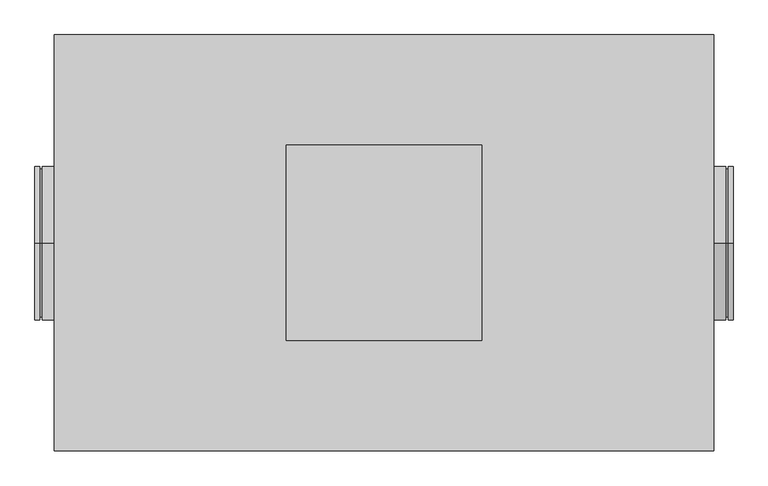
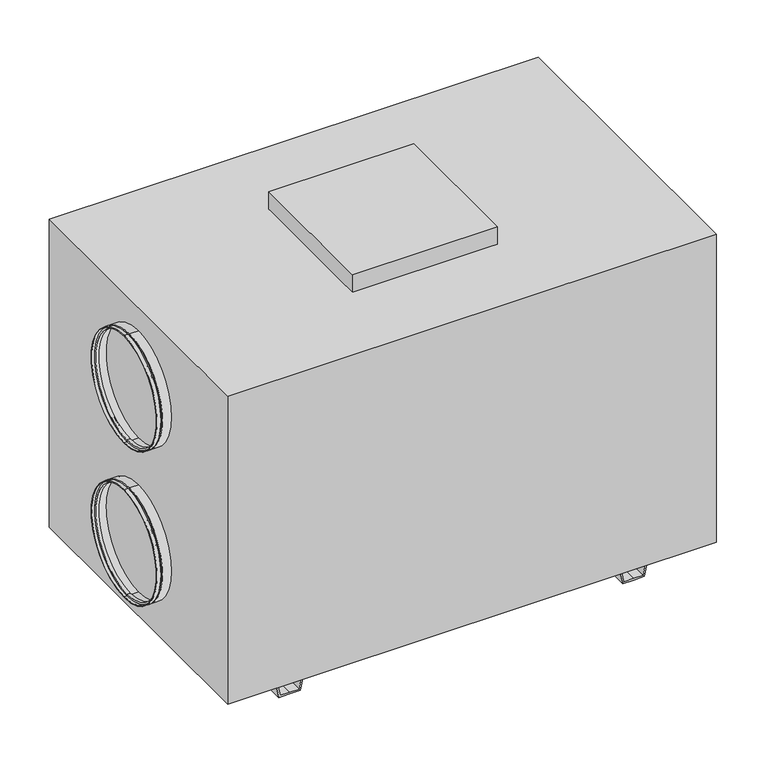
"""IFC4 building model written with IfcOpenShell, lengths in millimetres: proxy geometry."""

from ifc_helpers import new_model, si_unit, frame, origin, place, context, project, spatial, polyline, circle_curve, outline, extrude, source, transform, mapped, element, save
from ifc_brep_helpers import plane_surface, cylinder_surface, revolved_surface, advanced_brep


def mechanical_equipment_a6c81526(model_context):
    return source(origin(), model_context, "Body", "SolidModel", [
        extrude(outline(polyline([(200.0, 200.0), (200.0, -200.0), (-200.0, -200.0), (-200.0, 200.0), (200.0, 200.0)])), frame((0.0, 0.0, 970.0), z_axis=(0.0, 0.0, 1.0), x_axis=(1.0, 0.0, 0.0)), (0.0, 0.0, 1.0), 51.0),
        advanced_brep(
        [(705.0, 0.0, 137.5), (705.0, 0.0, 452.5), (715.0, 0.0, 452.5), (715.0, 0.0, 137.5), (705.0, 0.0, 142.5), (705.0, 0.0, 447.5), (700.0, 0.0, 142.5), (700.0, 0.0, 447.5), (700.0, 0.0, 137.5), (700.0, 0.0, 452.5), (675.0, 0.0, 137.5), (675.0, 0.0, 452.5), (675.0, 0.0, 139.5), (675.0, 0.0, 450.5), (698.0, 0.0, 139.5), (698.0, 0.0, 450.5), (698.0, 0.0, 144.5), (698.0, 0.0, 445.5), (707.0, 0.0, 144.5), (707.0, 0.0, 445.5), (707.0, 0.0, 139.5), (707.0, 0.0, 450.5), (715.0, 0.0, 139.5), (715.0, 0.0, 450.5)],
        [
            (0, 1, circle_curve(frame((705.0, 0.0, 295.0), z_axis=(1.0, 0.0, 0.0), x_axis=(0.0, 0.0, 1.0)), 157.5)),
            (1, 2),
            (2, 3, circle_curve(frame((715.0, 0.0, 295.0), z_axis=(-1.0, 0.0, 0.0), x_axis=(0.0, 0.0, 1.0)), 157.5)),
            (3, 0),
            (1, 0, circle_curve(frame((705.0, 0.0, 295.0), z_axis=(1.0, 0.0, 0.0), x_axis=(0.0, 0.0, 1.0)), 157.5)),
            (3, 2, circle_curve(frame((715.0, 0.0, 295.0), z_axis=(-1.0, 0.0, 0.0), x_axis=(0.0, 0.0, 1.0)), 157.5)),
            (4, 5, circle_curve(frame((705.0, 0.0, 295.0), z_axis=(1.0, 0.0, 0.0), x_axis=(0.0, 0.0, 1.0)), 152.5)),
            (5, 1),
            (0, 4),
            (5, 4, circle_curve(frame((705.0, 0.0, 295.0), z_axis=(1.0, 0.0, 0.0), x_axis=(0.0, 0.0, 1.0)), 152.5)),
            (6, 7, circle_curve(frame((700.0, 0.0, 295.0), z_axis=(1.0, 0.0, 0.0), x_axis=(0.0, 0.0, 1.0)), 152.5)),
            (7, 5),
            (4, 6),
            (7, 6, circle_curve(frame((700.0, 0.0, 295.0), z_axis=(1.0, 0.0, 0.0), x_axis=(0.0, 0.0, 1.0)), 152.5)),
            (8, 9, circle_curve(frame((700.0, 0.0, 295.0), z_axis=(1.0, 0.0, 0.0), x_axis=(0.0, 0.0, 1.0)), 157.5)),
            (9, 7),
            (6, 8),
            (9, 8, circle_curve(frame((700.0, 0.0, 295.0), z_axis=(1.0, 0.0, 0.0), x_axis=(0.0, 0.0, 1.0)), 157.5)),
            (10, 11, circle_curve(frame((675.0, 0.0, 295.0), z_axis=(1.0, 0.0, 0.0), x_axis=(0.0, 0.0, 1.0)), 157.5)),
            (11, 9),
            (8, 10),
            (11, 10, circle_curve(frame((675.0, 0.0, 295.0), z_axis=(1.0, 0.0, 0.0), x_axis=(0.0, 0.0, 1.0)), 157.5)),
            (12, 13, circle_curve(frame((675.0, 0.0, 295.0), z_axis=(1.0, 0.0, 0.0), x_axis=(0.0, 0.0, 1.0)), 155.5)),
            (13, 11),
            (10, 12),
            (13, 12, circle_curve(frame((675.0, 0.0, 295.0), z_axis=(1.0, 0.0, 0.0), x_axis=(0.0, 0.0, 1.0)), 155.5)),
            (14, 15, circle_curve(frame((698.0, 0.0, 295.0), z_axis=(1.0, 0.0, 0.0), x_axis=(0.0, 0.0, 1.0)), 155.5)),
            (15, 13),
            (12, 14),
            (15, 14, circle_curve(frame((698.0, 0.0, 295.0), z_axis=(1.0, 0.0, 0.0), x_axis=(0.0, 0.0, 1.0)), 155.5)),
            (16, 17, circle_curve(frame((698.0, 0.0, 295.0), z_axis=(1.0, 0.0, 0.0), x_axis=(0.0, 0.0, 1.0)), 150.5)),
            (17, 15),
            (14, 16),
            (17, 16, circle_curve(frame((698.0, 0.0, 295.0), z_axis=(1.0, 0.0, 0.0), x_axis=(0.0, 0.0, 1.0)), 150.5)),
            (18, 19, circle_curve(frame((707.0, 0.0, 295.0), z_axis=(1.0, 0.0, 0.0), x_axis=(0.0, 0.0, 1.0)), 150.5)),
            (19, 17),
            (16, 18),
            (19, 18, circle_curve(frame((707.0, 0.0, 295.0), z_axis=(1.0, 0.0, 0.0), x_axis=(0.0, 0.0, 1.0)), 150.5)),
            (20, 21, circle_curve(frame((707.0, 0.0, 295.0), z_axis=(1.0, 0.0, 0.0), x_axis=(0.0, 0.0, 1.0)), 155.5)),
            (21, 19),
            (18, 20),
            (21, 20, circle_curve(frame((707.0, 0.0, 295.0), z_axis=(1.0, 0.0, 0.0), x_axis=(0.0, 0.0, 1.0)), 155.5)),
            (22, 23, circle_curve(frame((715.0, 0.0, 295.0), z_axis=(1.0, 0.0, 0.0), x_axis=(0.0, 0.0, 1.0)), 155.5)),
            (23, 21),
            (20, 22),
            (23, 22, circle_curve(frame((715.0, 0.0, 295.0), z_axis=(1.0, 0.0, 0.0), x_axis=(0.0, 0.0, 1.0)), 155.5)),
            (2, 23),
            (22, 3),
        ],
        [
            cylinder_surface(frame((2250.0440172, 0.0, 295.0), z_axis=(-1.0, 0.0, 0.0), x_axis=(0.0, 0.0, 1.0)), 157.5),
            plane_surface(frame((705.0, 0.0, 295.0), z_axis=(-1.0, 0.0, 0.0), x_axis=(0.0, 0.0, 1.0))),
            cylinder_surface(frame((2250.0440172, 0.0, 295.0), z_axis=(-1.0, 0.0, 0.0), x_axis=(0.0, 0.0, 1.0)), 152.5),
            plane_surface(frame((700.0, 0.0, 295.0), z_axis=(1.0, 0.0, 0.0), x_axis=(0.0, 0.0, 1.0))),
            plane_surface(frame((675.0, 0.0, 295.0), z_axis=(-1.0, 0.0, 0.0), x_axis=(0.0, 0.0, 1.0))),
            revolved_surface(polyline([(675.0, 0.0, 450.5), (698.0, 0.0, 450.5)]), (2250.0440172, 0.0, 295.0), (-1.0, 0.0, 0.0)),
            plane_surface(frame((698.0, 0.0, 295.0), z_axis=(-1.0, 0.0, 0.0), x_axis=(0.0, 0.0, 1.0))),
            revolved_surface(polyline([(698.0, 0.0, 445.5), (707.0, 0.0, 445.5)]), (2250.0440172, 0.0, 295.0), (-1.0, 0.0, 0.0)),
            plane_surface(frame((707.0, 0.0, 295.0), z_axis=(1.0, 0.0, 0.0), x_axis=(0.0, 0.0, 1.0))),
            revolved_surface(polyline([(707.0, 0.0, 450.5), (715.0, 0.0, 450.5)]), (2250.0440172, 0.0, 295.0), (-1.0, 0.0, 0.0)),
            plane_surface(frame((715.0, 0.0, 295.0), z_axis=(1.0, 0.0, 0.0), x_axis=(0.0, 0.0, 1.0))),
        ],
        [
            (0, [[1, 2, 3, 4]]),
            (0, [[5, -4, 6, -2]]),
            (1, [[7, 8, -1, 9]]),
            (1, [[10, -9, -5, -8]]),
            (2, [[11, 12, -7, 13]]),
            (2, [[14, -13, -10, -12]]),
            (3, [[15, 16, -11, 17]]),
            (3, [[18, -17, -14, -16]]),
            (0, [[19, 20, -15, 21]]),
            (0, [[22, -21, -18, -20]]),
            (4, [[23, 24, -19, 25]]),
            (4, [[26, -25, -22, -24]]),
            (5, [[27, 28, -23, 29]]),
            (5, [[30, -29, -26, -28]]),
            (6, [[31, 32, -27, 33]]),
            (6, [[34, -33, -30, -32]]),
            (7, [[35, 36, -31, 37]]),
            (7, [[38, -37, -34, -36]]),
            (8, [[39, 40, -35, 41]]),
            (8, [[42, -41, -38, -40]]),
            (9, [[43, 44, -39, 45]]),
            (9, [[46, -45, -42, -44]]),
            (10, [[-3, 47, -43, 48]]),
            (10, [[-6, -48, -46, -47]]),
        ],
    ),
        advanced_brep(
        [(705.0, 0.0, 587.5), (705.0, 0.0, 902.5), (715.0, 0.0, 902.5), (715.0, 0.0, 587.5), (705.0, 0.0, 592.5), (705.0, 0.0, 897.5), (700.0, 0.0, 592.5), (700.0, 0.0, 897.5), (700.0, 0.0, 587.5), (700.0, 0.0, 902.5), (675.0, 0.0, 587.5), (675.0, 0.0, 902.5), (675.0, 0.0, 589.5), (675.0, 0.0, 900.5), (698.0, 0.0, 589.5), (698.0, 0.0, 900.5), (698.0, 0.0, 594.5), (698.0, 0.0, 895.5), (707.0, 0.0, 594.5), (707.0, 0.0, 895.5), (707.0, 0.0, 589.5), (707.0, 0.0, 900.5), (715.0, 0.0, 589.5), (715.0, 0.0, 900.5)],
        [
            (0, 1, circle_curve(frame((705.0, 0.0, 745.0), z_axis=(1.0, 0.0, 0.0), x_axis=(0.0, 0.0, 1.0)), 157.5)),
            (1, 2),
            (2, 3, circle_curve(frame((715.0, 0.0, 745.0), z_axis=(-1.0, 0.0, 0.0), x_axis=(0.0, 0.0, 1.0)), 157.5)),
            (3, 0),
            (1, 0, circle_curve(frame((705.0, 0.0, 745.0), z_axis=(1.0, 0.0, 0.0), x_axis=(0.0, 0.0, 1.0)), 157.5)),
            (3, 2, circle_curve(frame((715.0, 0.0, 745.0), z_axis=(-1.0, 0.0, 0.0), x_axis=(0.0, 0.0, 1.0)), 157.5)),
            (4, 5, circle_curve(frame((705.0, 0.0, 745.0), z_axis=(1.0, 0.0, 0.0), x_axis=(0.0, 0.0, 1.0)), 152.5)),
            (5, 1),
            (0, 4),
            (5, 4, circle_curve(frame((705.0, 0.0, 745.0), z_axis=(1.0, 0.0, 0.0), x_axis=(0.0, 0.0, 1.0)), 152.5)),
            (6, 7, circle_curve(frame((700.0, 0.0, 745.0), z_axis=(1.0, 0.0, 0.0), x_axis=(0.0, 0.0, 1.0)), 152.5)),
            (7, 5),
            (4, 6),
            (7, 6, circle_curve(frame((700.0, 0.0, 745.0), z_axis=(1.0, 0.0, 0.0), x_axis=(0.0, 0.0, 1.0)), 152.5)),
            (8, 9, circle_curve(frame((700.0, 0.0, 745.0), z_axis=(1.0, 0.0, 0.0), x_axis=(0.0, 0.0, 1.0)), 157.5)),
            (9, 7),
            (6, 8),
            (9, 8, circle_curve(frame((700.0, 0.0, 745.0), z_axis=(1.0, 0.0, 0.0), x_axis=(0.0, 0.0, 1.0)), 157.5)),
            (10, 11, circle_curve(frame((675.0, 0.0, 745.0), z_axis=(1.0, 0.0, 0.0), x_axis=(0.0, 0.0, 1.0)), 157.5)),
            (11, 9),
            (8, 10),
            (11, 10, circle_curve(frame((675.0, 0.0, 745.0), z_axis=(1.0, 0.0, 0.0), x_axis=(0.0, 0.0, 1.0)), 157.5)),
            (12, 13, circle_curve(frame((675.0, 0.0, 745.0), z_axis=(1.0, 0.0, 0.0), x_axis=(0.0, 0.0, 1.0)), 155.5)),
            (13, 11),
            (10, 12),
            (13, 12, circle_curve(frame((675.0, 0.0, 745.0), z_axis=(1.0, 0.0, 0.0), x_axis=(0.0, 0.0, 1.0)), 155.5)),
            (14, 15, circle_curve(frame((698.0, 0.0, 745.0), z_axis=(1.0, 0.0, 0.0), x_axis=(0.0, 0.0, 1.0)), 155.5)),
            (15, 13),
            (12, 14),
            (15, 14, circle_curve(frame((698.0, 0.0, 745.0), z_axis=(1.0, 0.0, 0.0), x_axis=(0.0, 0.0, 1.0)), 155.5)),
            (16, 17, circle_curve(frame((698.0, 0.0, 745.0), z_axis=(1.0, 0.0, 0.0), x_axis=(0.0, 0.0, 1.0)), 150.5)),
            (17, 15),
            (14, 16),
            (17, 16, circle_curve(frame((698.0, 0.0, 745.0), z_axis=(1.0, 0.0, 0.0), x_axis=(0.0, 0.0, 1.0)), 150.5)),
            (18, 19, circle_curve(frame((707.0, 0.0, 745.0), z_axis=(1.0, 0.0, 0.0), x_axis=(0.0, 0.0, 1.0)), 150.5)),
            (19, 17),
            (16, 18),
            (19, 18, circle_curve(frame((707.0, 0.0, 745.0), z_axis=(1.0, 0.0, 0.0), x_axis=(0.0, 0.0, 1.0)), 150.5)),
            (20, 21, circle_curve(frame((707.0, 0.0, 745.0), z_axis=(1.0, 0.0, 0.0), x_axis=(0.0, 0.0, 1.0)), 155.5)),
            (21, 19),
            (18, 20),
            (21, 20, circle_curve(frame((707.0, 0.0, 745.0), z_axis=(1.0, 0.0, 0.0), x_axis=(0.0, 0.0, 1.0)), 155.5)),
            (22, 23, circle_curve(frame((715.0, 0.0, 745.0), z_axis=(1.0, 0.0, 0.0), x_axis=(0.0, 0.0, 1.0)), 155.5)),
            (23, 21),
            (20, 22),
            (23, 22, circle_curve(frame((715.0, 0.0, 745.0), z_axis=(1.0, 0.0, 0.0), x_axis=(0.0, 0.0, 1.0)), 155.5)),
            (2, 23),
            (22, 3),
        ],
        [
            cylinder_surface(frame((2250.0440172, 0.0, 745.0), z_axis=(-1.0, 0.0, 0.0), x_axis=(0.0, 0.0, 1.0)), 157.5),
            plane_surface(frame((705.0, 0.0, 745.0), z_axis=(-1.0, 0.0, 0.0), x_axis=(0.0, 0.0, 1.0))),
            cylinder_surface(frame((2250.0440172, 0.0, 745.0), z_axis=(-1.0, 0.0, 0.0), x_axis=(0.0, 0.0, 1.0)), 152.5),
            plane_surface(frame((700.0, 0.0, 745.0), z_axis=(1.0, 0.0, 0.0), x_axis=(0.0, 0.0, 1.0))),
            plane_surface(frame((675.0, 0.0, 745.0), z_axis=(-1.0, 0.0, 0.0), x_axis=(0.0, 0.0, 1.0))),
            revolved_surface(polyline([(675.0, 0.0, 900.5), (698.0, 0.0, 900.5)]), (2250.0440172, 0.0, 745.0), (-1.0, 0.0, 0.0)),
            plane_surface(frame((698.0, 0.0, 745.0), z_axis=(-1.0, 0.0, 0.0), x_axis=(0.0, 0.0, 1.0))),
            revolved_surface(polyline([(698.0, 0.0, 895.5), (707.0, 0.0, 895.5)]), (2250.0440172, 0.0, 745.0), (-1.0, 0.0, 0.0)),
            plane_surface(frame((707.0, 0.0, 745.0), z_axis=(1.0, 0.0, 0.0), x_axis=(0.0, 0.0, 1.0))),
            revolved_surface(polyline([(707.0, 0.0, 900.5), (715.0, 0.0, 900.5)]), (2250.0440172, 0.0, 745.0), (-1.0, 0.0, 0.0)),
            plane_surface(frame((715.0, 0.0, 745.0), z_axis=(1.0, 0.0, 0.0), x_axis=(0.0, 0.0, 1.0))),
        ],
        [
            (0, [[1, 2, 3, 4]]),
            (0, [[5, -4, 6, -2]]),
            (1, [[7, 8, -1, 9]]),
            (1, [[10, -9, -5, -8]]),
            (2, [[11, 12, -7, 13]]),
            (2, [[14, -13, -10, -12]]),
            (3, [[15, 16, -11, 17]]),
            (3, [[18, -17, -14, -16]]),
            (0, [[19, 20, -15, 21]]),
            (0, [[22, -21, -18, -20]]),
            (4, [[23, 24, -19, 25]]),
            (4, [[26, -25, -22, -24]]),
            (5, [[27, 28, -23, 29]]),
            (5, [[30, -29, -26, -28]]),
            (6, [[31, 32, -27, 33]]),
            (6, [[34, -33, -30, -32]]),
            (7, [[35, 36, -31, 37]]),
            (7, [[38, -37, -34, -36]]),
            (8, [[39, 40, -35, 41]]),
            (8, [[42, -41, -38, -40]]),
            (9, [[43, 44, -39, 45]]),
            (9, [[46, -45, -42, -44]]),
            (10, [[-3, 47, -43, 48]]),
            (10, [[-6, -48, -46, -47]]),
        ],
    ),
        advanced_brep(
        [(-705.0, 0.0, 902.5), (-705.0, 0.0, 587.5), (-715.0, 0.0, 587.5), (-715.0, 0.0, 902.5), (-705.0, 0.0, 897.5), (-705.0, 0.0, 592.5), (-700.0, 0.0, 897.5), (-700.0, 0.0, 592.5), (-700.0, 0.0, 902.5), (-700.0, 0.0, 587.5), (-675.0, 0.0, 902.5), (-675.0, 0.0, 587.5), (-675.0, 0.0, 900.5), (-675.0, 0.0, 589.5), (-698.0, 0.0, 900.5), (-698.0, 0.0, 589.5), (-698.0, 0.0, 895.5), (-698.0, 0.0, 594.5), (-707.0, 0.0, 895.5), (-707.0, 0.0, 594.5), (-707.0, 0.0, 900.5), (-707.0, 0.0, 589.5), (-715.0, 0.0, 900.5), (-715.0, 0.0, 589.5)],
        [
            (0, 1, circle_curve(frame((-705.0, 0.0, 745.0), z_axis=(-1.0, 0.0, 0.0), x_axis=(0.0, 0.0, -1.0)), 157.5)),
            (1, 2),
            (2, 3, circle_curve(frame((-715.0, 0.0, 745.0), z_axis=(1.0, 0.0, 0.0), x_axis=(0.0, 0.0, -1.0)), 157.5)),
            (3, 0),
            (1, 0, circle_curve(frame((-705.0, 0.0, 745.0), z_axis=(-1.0, 0.0, 0.0), x_axis=(0.0, 0.0, -1.0)), 157.5)),
            (3, 2, circle_curve(frame((-715.0, 0.0, 745.0), z_axis=(1.0, 0.0, 0.0), x_axis=(0.0, 0.0, -1.0)), 157.5)),
            (4, 5, circle_curve(frame((-705.0, 0.0, 745.0), z_axis=(-1.0, 0.0, 0.0), x_axis=(0.0, 0.0, -1.0)), 152.5)),
            (5, 1),
            (0, 4),
            (5, 4, circle_curve(frame((-705.0, 0.0, 745.0), z_axis=(-1.0, 0.0, 0.0), x_axis=(0.0, 0.0, -1.0)), 152.5)),
            (6, 7, circle_curve(frame((-700.0, 0.0, 745.0), z_axis=(-1.0, 0.0, 0.0), x_axis=(0.0, 0.0, -1.0)), 152.5)),
            (7, 5),
            (4, 6),
            (7, 6, circle_curve(frame((-700.0, 0.0, 745.0), z_axis=(-1.0, 0.0, 0.0), x_axis=(0.0, 0.0, -1.0)), 152.5)),
            (8, 9, circle_curve(frame((-700.0, 0.0, 745.0), z_axis=(-1.0, 0.0, 0.0), x_axis=(0.0, 0.0, -1.0)), 157.5)),
            (9, 7),
            (6, 8),
            (9, 8, circle_curve(frame((-700.0, 0.0, 745.0), z_axis=(-1.0, 0.0, 0.0), x_axis=(0.0, 0.0, -1.0)), 157.5)),
            (10, 11, circle_curve(frame((-675.0, 0.0, 745.0), z_axis=(-1.0, 0.0, 0.0), x_axis=(0.0, 0.0, -1.0)), 157.5)),
            (11, 9),
            (8, 10),
            (11, 10, circle_curve(frame((-675.0, 0.0, 745.0), z_axis=(-1.0, 0.0, 0.0), x_axis=(0.0, 0.0, -1.0)), 157.5)),
            (12, 13, circle_curve(frame((-675.0, 0.0, 745.0), z_axis=(-1.0, 0.0, 0.0), x_axis=(0.0, 0.0, -1.0)), 155.5)),
            (13, 11),
            (10, 12),
            (13, 12, circle_curve(frame((-675.0, 0.0, 745.0), z_axis=(-1.0, 0.0, 0.0), x_axis=(0.0, 0.0, -1.0)), 155.5)),
            (14, 15, circle_curve(frame((-698.0, 0.0, 745.0), z_axis=(-1.0, 0.0, 0.0), x_axis=(0.0, 0.0, -1.0)), 155.5)),
            (15, 13),
            (12, 14),
            (15, 14, circle_curve(frame((-698.0, 0.0, 745.0), z_axis=(-1.0, 0.0, 0.0), x_axis=(0.0, 0.0, -1.0)), 155.5)),
            (16, 17, circle_curve(frame((-698.0, 0.0, 745.0), z_axis=(-1.0, 0.0, 0.0), x_axis=(0.0, 0.0, -1.0)), 150.5)),
            (17, 15),
            (14, 16),
            (17, 16, circle_curve(frame((-698.0, 0.0, 745.0), z_axis=(-1.0, 0.0, 0.0), x_axis=(0.0, 0.0, -1.0)), 150.5)),
            (18, 19, circle_curve(frame((-707.0, 0.0, 745.0), z_axis=(-1.0, 0.0, 0.0), x_axis=(0.0, 0.0, -1.0)), 150.5)),
            (19, 17),
            (16, 18),
            (19, 18, circle_curve(frame((-707.0, 0.0, 745.0), z_axis=(-1.0, 0.0, 0.0), x_axis=(0.0, 0.0, -1.0)), 150.5)),
            (20, 21, circle_curve(frame((-707.0, 0.0, 745.0), z_axis=(-1.0, 0.0, 0.0), x_axis=(0.0, 0.0, -1.0)), 155.5)),
            (21, 19),
            (18, 20),
            (21, 20, circle_curve(frame((-707.0, 0.0, 745.0), z_axis=(-1.0, 0.0, 0.0), x_axis=(0.0, 0.0, -1.0)), 155.5)),
            (22, 23, circle_curve(frame((-715.0, 0.0, 745.0), z_axis=(-1.0, 0.0, 0.0), x_axis=(0.0, 0.0, -1.0)), 155.5)),
            (23, 21),
            (20, 22),
            (23, 22, circle_curve(frame((-715.0, 0.0, 745.0), z_axis=(-1.0, 0.0, 0.0), x_axis=(0.0, 0.0, -1.0)), 155.5)),
            (2, 23),
            (22, 3),
        ],
        [
            cylinder_surface(frame((-2250.0440172, 0.0, 745.0), z_axis=(1.0, 0.0, 0.0), x_axis=(0.0, 0.0, -1.0)), 157.5),
            plane_surface(frame((-705.0, 0.0, 745.0), z_axis=(1.0, 0.0, 0.0), x_axis=(0.0, 0.0, -1.0))),
            cylinder_surface(frame((-2250.0440172, 0.0, 745.0), z_axis=(1.0, 0.0, 0.0), x_axis=(0.0, 0.0, -1.0)), 152.5),
            plane_surface(frame((-700.0, 0.0, 745.0), z_axis=(-1.0, 0.0, 0.0), x_axis=(0.0, 0.0, -1.0))),
            plane_surface(frame((-675.0, 0.0, 745.0), z_axis=(1.0, 0.0, 0.0), x_axis=(0.0, 0.0, -1.0))),
            revolved_surface(polyline([(-675.0, 0.0, 589.5), (-698.0, 0.0, 589.5)]), (-2250.0440172, 0.0, 745.0), (1.0, 0.0, 0.0)),
            plane_surface(frame((-698.0, 0.0, 745.0), z_axis=(1.0, 0.0, 0.0), x_axis=(0.0, 0.0, -1.0))),
            revolved_surface(polyline([(-698.0, 0.0, 594.5), (-707.0, 0.0, 594.5)]), (-2250.0440172, 0.0, 745.0), (1.0, 0.0, 0.0)),
            plane_surface(frame((-707.0, 0.0, 745.0), z_axis=(-1.0, 0.0, 0.0), x_axis=(0.0, 0.0, -1.0))),
            revolved_surface(polyline([(-707.0, 0.0, 589.5), (-715.0, 0.0, 589.5)]), (-2250.0440172, 0.0, 745.0), (1.0, 0.0, 0.0)),
            plane_surface(frame((-715.0, 0.0, 745.0), z_axis=(-1.0, 0.0, 0.0), x_axis=(0.0, 0.0, -1.0))),
        ],
        [
            (0, [[1, 2, 3, 4]]),
            (0, [[5, -4, 6, -2]]),
            (1, [[7, 8, -1, 9]]),
            (1, [[10, -9, -5, -8]]),
            (2, [[11, 12, -7, 13]]),
            (2, [[14, -13, -10, -12]]),
            (3, [[15, 16, -11, 17]]),
            (3, [[18, -17, -14, -16]]),
            (0, [[19, 20, -15, 21]]),
            (0, [[22, -21, -18, -20]]),
            (4, [[23, 24, -19, 25]]),
            (4, [[26, -25, -22, -24]]),
            (5, [[27, 28, -23, 29]]),
            (5, [[30, -29, -26, -28]]),
            (6, [[31, 32, -27, 33]]),
            (6, [[34, -33, -30, -32]]),
            (7, [[35, 36, -31, 37]]),
            (7, [[38, -37, -34, -36]]),
            (8, [[39, 40, -35, 41]]),
            (8, [[42, -41, -38, -40]]),
            (9, [[43, 44, -39, 45]]),
            (9, [[46, -45, -42, -44]]),
            (10, [[-3, 47, -43, 48]]),
            (10, [[-6, -48, -46, -47]]),
        ],
    ),
        advanced_brep(
        [(-705.0, 0.0, 452.5), (-705.0, 0.0, 137.5), (-715.0, 0.0, 137.5), (-715.0, 0.0, 452.5), (-705.0, 0.0, 447.5), (-705.0, 0.0, 142.5), (-700.0, 0.0, 447.5), (-700.0, 0.0, 142.5), (-700.0, 0.0, 452.5), (-700.0, 0.0, 137.5), (-675.0, 0.0, 452.5), (-675.0, 0.0, 137.5), (-675.0, 0.0, 450.5), (-675.0, 0.0, 139.5), (-698.0, 0.0, 450.5), (-698.0, 0.0, 139.5), (-698.0, 0.0, 445.5), (-698.0, 0.0, 144.5), (-707.0, 0.0, 445.5), (-707.0, 0.0, 144.5), (-707.0, 0.0, 450.5), (-707.0, 0.0, 139.5), (-715.0, 0.0, 450.5), (-715.0, 0.0, 139.5)],
        [
            (0, 1, circle_curve(frame((-705.0, 0.0, 295.0), z_axis=(-1.0, 0.0, 0.0), x_axis=(0.0, 0.0, -1.0)), 157.5)),
            (1, 2),
            (2, 3, circle_curve(frame((-715.0, 0.0, 295.0), z_axis=(1.0, 0.0, 0.0), x_axis=(0.0, 0.0, -1.0)), 157.5)),
            (3, 0),
            (1, 0, circle_curve(frame((-705.0, 0.0, 295.0), z_axis=(-1.0, 0.0, 0.0), x_axis=(0.0, 0.0, -1.0)), 157.5)),
            (3, 2, circle_curve(frame((-715.0, 0.0, 295.0), z_axis=(1.0, 0.0, 0.0), x_axis=(0.0, 0.0, -1.0)), 157.5)),
            (4, 5, circle_curve(frame((-705.0, 0.0, 295.0), z_axis=(-1.0, 0.0, 0.0), x_axis=(0.0, 0.0, -1.0)), 152.5)),
            (5, 1),
            (0, 4),
            (5, 4, circle_curve(frame((-705.0, 0.0, 295.0), z_axis=(-1.0, 0.0, 0.0), x_axis=(0.0, 0.0, -1.0)), 152.5)),
            (6, 7, circle_curve(frame((-700.0, 0.0, 295.0), z_axis=(-1.0, 0.0, 0.0), x_axis=(0.0, 0.0, -1.0)), 152.5)),
            (7, 5),
            (4, 6),
            (7, 6, circle_curve(frame((-700.0, 0.0, 295.0), z_axis=(-1.0, 0.0, 0.0), x_axis=(0.0, 0.0, -1.0)), 152.5)),
            (8, 9, circle_curve(frame((-700.0, 0.0, 295.0), z_axis=(-1.0, 0.0, 0.0), x_axis=(0.0, 0.0, -1.0)), 157.5)),
            (9, 7),
            (6, 8),
            (9, 8, circle_curve(frame((-700.0, 0.0, 295.0), z_axis=(-1.0, 0.0, 0.0), x_axis=(0.0, 0.0, -1.0)), 157.5)),
            (10, 11, circle_curve(frame((-675.0, 0.0, 295.0), z_axis=(-1.0, 0.0, 0.0), x_axis=(0.0, 0.0, -1.0)), 157.5)),
            (11, 9),
            (8, 10),
            (11, 10, circle_curve(frame((-675.0, 0.0, 295.0), z_axis=(-1.0, 0.0, 0.0), x_axis=(0.0, 0.0, -1.0)), 157.5)),
            (12, 13, circle_curve(frame((-675.0, 0.0, 295.0), z_axis=(-1.0, 0.0, 0.0), x_axis=(0.0, 0.0, -1.0)), 155.5)),
            (13, 11),
            (10, 12),
            (13, 12, circle_curve(frame((-675.0, 0.0, 295.0), z_axis=(-1.0, 0.0, 0.0), x_axis=(0.0, 0.0, -1.0)), 155.5)),
            (14, 15, circle_curve(frame((-698.0, 0.0, 295.0), z_axis=(-1.0, 0.0, 0.0), x_axis=(0.0, 0.0, -1.0)), 155.5)),
            (15, 13),
            (12, 14),
            (15, 14, circle_curve(frame((-698.0, 0.0, 295.0), z_axis=(-1.0, 0.0, 0.0), x_axis=(0.0, 0.0, -1.0)), 155.5)),
            (16, 17, circle_curve(frame((-698.0, 0.0, 295.0), z_axis=(-1.0, 0.0, 0.0), x_axis=(0.0, 0.0, -1.0)), 150.5)),
            (17, 15),
            (14, 16),
            (17, 16, circle_curve(frame((-698.0, 0.0, 295.0), z_axis=(-1.0, 0.0, 0.0), x_axis=(0.0, 0.0, -1.0)), 150.5)),
            (18, 19, circle_curve(frame((-707.0, 0.0, 295.0), z_axis=(-1.0, 0.0, 0.0), x_axis=(0.0, 0.0, -1.0)), 150.5)),
            (19, 17),
            (16, 18),
            (19, 18, circle_curve(frame((-707.0, 0.0, 295.0), z_axis=(-1.0, 0.0, 0.0), x_axis=(0.0, 0.0, -1.0)), 150.5)),
            (20, 21, circle_curve(frame((-707.0, 0.0, 295.0), z_axis=(-1.0, 0.0, 0.0), x_axis=(0.0, 0.0, -1.0)), 155.5)),
            (21, 19),
            (18, 20),
            (21, 20, circle_curve(frame((-707.0, 0.0, 295.0), z_axis=(-1.0, 0.0, 0.0), x_axis=(0.0, 0.0, -1.0)), 155.5)),
            (22, 23, circle_curve(frame((-715.0, 0.0, 295.0), z_axis=(-1.0, 0.0, 0.0), x_axis=(0.0, 0.0, -1.0)), 155.5)),
            (23, 21),
            (20, 22),
            (23, 22, circle_curve(frame((-715.0, 0.0, 295.0), z_axis=(-1.0, 0.0, 0.0), x_axis=(0.0, 0.0, -1.0)), 155.5)),
            (2, 23),
            (22, 3),
        ],
        [
            cylinder_surface(frame((-2250.0440172, 0.0, 295.0), z_axis=(1.0, 0.0, 0.0), x_axis=(0.0, 0.0, -1.0)), 157.5),
            plane_surface(frame((-705.0, 0.0, 295.0), z_axis=(1.0, 0.0, 0.0), x_axis=(0.0, 0.0, -1.0))),
            cylinder_surface(frame((-2250.0440172, 0.0, 295.0), z_axis=(1.0, 0.0, 0.0), x_axis=(0.0, 0.0, -1.0)), 152.5),
            plane_surface(frame((-700.0, 0.0, 295.0), z_axis=(-1.0, 0.0, 0.0), x_axis=(0.0, 0.0, -1.0))),
            plane_surface(frame((-675.0, 0.0, 295.0), z_axis=(1.0, 0.0, 0.0), x_axis=(0.0, 0.0, -1.0))),
            revolved_surface(polyline([(-675.0, 0.0, 139.5), (-698.0, 0.0, 139.5)]), (-2250.0440172, 0.0, 295.0), (1.0, 0.0, 0.0)),
            plane_surface(frame((-698.0, 0.0, 295.0), z_axis=(1.0, 0.0, 0.0), x_axis=(0.0, 0.0, -1.0))),
            revolved_surface(polyline([(-698.0, 0.0, 144.5), (-707.0, 0.0, 144.5)]), (-2250.0440172, 0.0, 295.0), (1.0, 0.0, 0.0)),
            plane_surface(frame((-707.0, 0.0, 295.0), z_axis=(-1.0, 0.0, 0.0), x_axis=(0.0, 0.0, -1.0))),
            revolved_surface(polyline([(-707.0, 0.0, 139.5), (-715.0, 0.0, 139.5)]), (-2250.0440172, 0.0, 295.0), (1.0, 0.0, 0.0)),
            plane_surface(frame((-715.0, 0.0, 295.0), z_axis=(-1.0, 0.0, 0.0), x_axis=(0.0, 0.0, -1.0))),
        ],
        [
            (0, [[1, 2, 3, 4]]),
            (0, [[5, -4, 6, -2]]),
            (1, [[7, 8, -1, 9]]),
            (1, [[10, -9, -5, -8]]),
            (2, [[11, 12, -7, 13]]),
            (2, [[14, -13, -10, -12]]),
            (3, [[15, 16, -11, 17]]),
            (3, [[18, -17, -14, -16]]),
            (0, [[19, 20, -15, 21]]),
            (0, [[22, -21, -18, -20]]),
            (4, [[23, 24, -19, 25]]),
            (4, [[26, -25, -22, -24]]),
            (5, [[27, 28, -23, 29]]),
            (5, [[30, -29, -26, -28]]),
            (6, [[31, 32, -27, 33]]),
            (6, [[34, -33, -30, -32]]),
            (7, [[35, 36, -31, 37]]),
            (7, [[38, -37, -34, -36]]),
            (8, [[39, 40, -35, 41]]),
            (8, [[42, -41, -38, -40]]),
            (9, [[43, 44, -39, 45]]),
            (9, [[46, -45, -42, -44]]),
            (10, [[-3, 47, -43, 48]]),
            (10, [[-6, -48, -46, -47]]),
        ],
    ),
        extrude(outline(polyline([(0.0, 505.0), (70.0, 519.5588094), (70.0, 514.2379205), (5.0, 501.4989623), (5.0, 475.0), (5.0, 448.5010377), (70.0, 435.7620795), (70.0, 430.4411906), (0.0, 445.0), (0.0, 475.0), (0.0, 505.0)])), frame((0.0, -376.5, 0.0), z_axis=(0.0, 1.0, 0.0), x_axis=(0.0, 0.0, 1.0)), (0.0, 0.0, 1.0), 753.0),
        extrude(outline(polyline([(0.0, -445.0), (70.0, -430.4411906), (70.0, -435.7620795), (5.0, -448.5010377), (5.0, -475.0), (5.0, -501.4989623), (70.0, -514.2379205), (70.0, -519.5588094), (0.0, -505.0), (0.0, -475.0), (0.0, -445.0)])), frame((0.0, -376.5, 0.0), z_axis=(0.0, 1.0, 0.0), x_axis=(0.0, 0.0, 1.0)), (0.0, 0.0, 1.0), 753.0),
        extrude(outline(polyline([(-675.0, 426.5), (675.0, 426.5), (675.0, -426.5), (-675.0, -426.5), (-675.0, 426.5)])), frame((0.0, 0.0, 70.0), z_axis=(0.0, 0.0, 1.0), x_axis=(1.0, 0.0, 0.0)), (0.0, 0.0, 1.0), 900.0),
    ])


if __name__ == "__main__":
    model = new_model("IFC4")
    model_context = context("Model", 3, world=origin())
    ifc_project = project(units=[si_unit("LENGTHUNIT", "METRE", prefix="MILLI")], contexts=[model_context])
    site = spatial("IfcSite", under=ifc_project)
    building = spatial("IfcBuilding", under=site)
    placement = place(None, origin())
    mechanical_equipment_shape = mechanical_equipment_a6c81526(model_context)
    element("IfcBuildingElementProxy", 1, Name="Mechanical Equipment", at=placement, inside=building, context=model_context, shape_type="MappedRepresentation", body=[
        mapped(mechanical_equipment_shape, transform((0.0, 0.0, 0.0), x_axis=(1.0, 0.0, 0.0), y_axis=(0.0, 1.0, 0.0), z_axis=(0.0, 0.0, 1.0))),
    ])
    save(model, "model.ifc")
